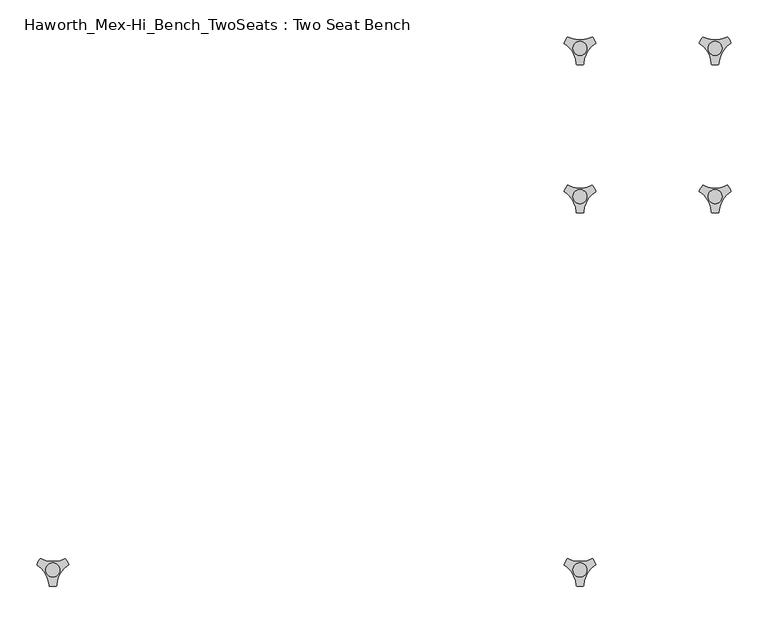
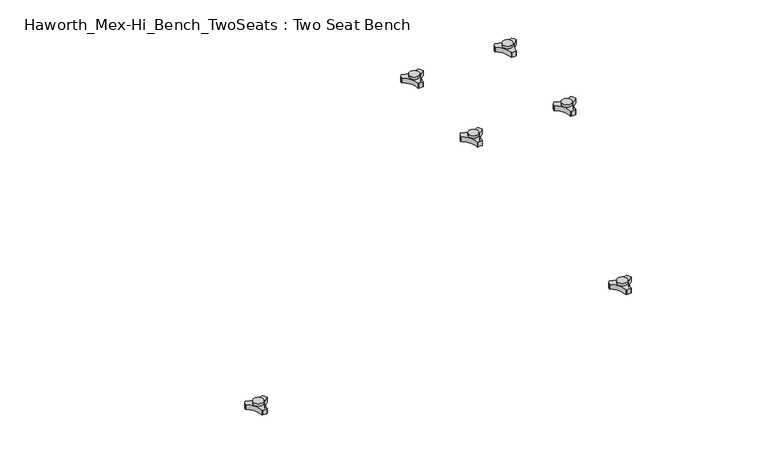
"""IFC4 building model written with IfcOpenShell, lengths in millimetres: furniture geometry, Haworth_Mex-Hi_Bench_TwoSeats : Two Seat Bench."""

from ifc_helpers import new_model, si_unit, frame, origin, place, context, project, spatial, polyline, circle_curve, source, transform, mapped, element, save
from ifc_brep_helpers import plane_surface, cylinder_surface, revolved_surface, advanced_brep


def haworth_mex_hi_bench_twoseats_two_seat_bench_e05f9d58(model_context):
    return source(origin(), model_context, "Body", "AdvancedBrep", [
        advanced_brep(
        [(373.838792, -130.2721038, 98.611642), (369.6162038, -137.585841, 98.611642), (370.0141527, -138.7518724, 98.611642), (385.8334234, -166.1516574, 98.611642), (386.6442569, -167.0792988, 98.611642), (395.0894355, -167.0792988, 98.611642), (395.8939637, -165.9895174, 98.611642), (411.9962168, -138.4877144, 98.611642), (412.1174938, -137.5858427, 98.611642), (407.8949039, -130.2721023, 98.611642), (406.6861204, -130.0337175, 98.611642), (375.047572, -130.0337175, 98.611642), (400.2397227, -145.1926245, 98.611642), (381.3347108, -145.1926245, 98.611642), (373.838792, -130.2721038, 88.6531552), (375.047572, -130.0337175, 88.6531552), (406.6861204, -130.0337175, 88.6531552), (407.8949039, -130.2721023, 88.6531552), (412.1174938, -137.5858427, 88.6531552), (411.9962168, -138.4877144, 88.6531552), (395.8939637, -165.9895174, 88.6531552), (395.0894355, -167.0792988, 88.6531552), (386.6442569, -167.0792988, 88.6531552), (385.8334234, -166.1516574, 88.6531552), (370.0141527, -138.7518724, 88.6531552), (369.6162038, -137.585841, 88.6531552), (381.3347108, -145.1926245, 103.6569541), (400.2397227, -145.1926245, 103.6569541)],
        [
            (0, 1, circle_curve(frame((392.09828, -145.690049, 98.611642), z_axis=(0.0, 0.0, 1.0), x_axis=(1.0, 0.0, 0.0)), 23.8981576)),
            (1, 2, circle_curve(frame((370.5437624, -137.920202, 98.611642), z_axis=(0.0, 0.0, 1.0), x_axis=(1.0, 0.0, 0.0)), 0.9859828)),
            (2, 3, circle_curve(frame((351.6187827, -167.6389644, 98.611642), z_axis=(0.0, 0.0, -1.0), x_axis=(1.0, 0.0, 0.0)), 34.246952)),
            (3, 4, circle_curve(frame((386.8184668, -166.1088376, 98.611642), z_axis=(0.0, 0.0, 1.0), x_axis=(1.0, 0.0, 0.0)), 0.9859736)),
            (4, 5, circle_curve(frame((390.8668462, -143.5567534, 98.611642), z_axis=(0.0, 0.0, 1.0), x_axis=(1.0, 0.0, 0.0)), 23.8985439)),
            (5, 6, circle_curve(frame((394.9152236, -166.1088262, 98.611642), z_axis=(0.0, 0.0, 1.0), x_axis=(1.0, 0.0, 0.0)), 0.9859852)),
            (6, 7, circle_curve(frame((430.1156373, -167.5614211, 98.611642), z_axis=(0.0, 0.0, -1.0), x_axis=(1.0, 0.0, 0.0)), 34.2577557)),
            (7, 8, circle_curve(frame((411.1899324, -137.9202011, 98.611642), z_axis=(0.0, 0.0, 1.0), x_axis=(1.0, 0.0, 0.0)), 0.9859847)),
            (8, 9, circle_curve(frame((389.6358034, -145.6898258, 98.611642), z_axis=(0.0, 0.0, 1.0), x_axis=(1.0, 0.0, 0.0)), 23.8977184)),
            (9, 10, circle_curve(frame((407.1415576, -130.9082171, 98.611642), z_axis=(0.0, 0.0, 1.0), x_axis=(1.0, 0.0, 0.0)), 0.9859881)),
            (10, 11, circle_curve(frame((390.8668462, -99.6586209, 98.611642), z_axis=(0.0, 0.0, -1.0), x_axis=(1.0, 0.0, 0.0)), 34.2475683)),
            (11, 0, circle_curve(frame((374.5921369, -130.9082131, 98.611642), z_axis=(0.0, 0.0, 1.0), x_axis=(1.0, 0.0, 0.0)), 0.9859835)),
            (12, 13, circle_curve(frame((390.7872168, -145.1926245, 98.611642), z_axis=(0.0, 0.0, -1.0), x_axis=(1.0, 0.0, 0.0)), 9.452506)),
            (13, 12, circle_curve(frame((390.7872168, -145.1926245, 98.611642), z_axis=(0.0, 0.0, -1.0), x_axis=(1.0, 0.0, 0.0)), 9.452506)),
            (14, 15, circle_curve(frame((374.5921369, -130.9082131, 88.6531552), z_axis=(0.0, 0.0, -1.0), x_axis=(1.0, 0.0, 0.0)), 0.9859835)),
            (15, 16, circle_curve(frame((390.8668462, -99.6586209, 88.6531552), z_axis=(0.0, 0.0, 1.0), x_axis=(1.0, 0.0, 0.0)), 34.2475683)),
            (16, 17, circle_curve(frame((407.1415576, -130.9082171, 88.6531552), z_axis=(0.0, 0.0, -1.0), x_axis=(1.0, 0.0, 0.0)), 0.9859881)),
            (17, 18, circle_curve(frame((389.6358034, -145.6898258, 88.6531552), z_axis=(0.0, 0.0, -1.0), x_axis=(1.0, 0.0, 0.0)), 23.8977184)),
            (18, 19, circle_curve(frame((411.1899324, -137.9202011, 88.6531552), z_axis=(0.0, 0.0, -1.0), x_axis=(1.0, 0.0, 0.0)), 0.9859847)),
            (19, 20, circle_curve(frame((430.1156373, -167.5614211, 88.6531552), z_axis=(0.0, 0.0, 1.0), x_axis=(1.0, 0.0, 0.0)), 34.2577557)),
            (20, 21, circle_curve(frame((394.9152236, -166.1088262, 88.6531552), z_axis=(0.0, 0.0, -1.0), x_axis=(1.0, 0.0, 0.0)), 0.9859852)),
            (21, 22, circle_curve(frame((390.8668462, -143.5567534, 88.6531552), z_axis=(0.0, 0.0, -1.0), x_axis=(1.0, 0.0, 0.0)), 23.8985439)),
            (22, 23, circle_curve(frame((386.8184668, -166.1088376, 88.6531552), z_axis=(0.0, 0.0, -1.0), x_axis=(1.0, 0.0, 0.0)), 0.9859736)),
            (23, 24, circle_curve(frame((351.6187827, -167.6389644, 88.6531552), z_axis=(0.0, 0.0, 1.0), x_axis=(1.0, 0.0, 0.0)), 34.246952)),
            (24, 25, circle_curve(frame((370.5437624, -137.920202, 88.6531552), z_axis=(0.0, 0.0, -1.0), x_axis=(1.0, 0.0, 0.0)), 0.9859828)),
            (25, 14, circle_curve(frame((392.09828, -145.690049, 88.6531552), z_axis=(0.0, 0.0, -1.0), x_axis=(1.0, 0.0, 0.0)), 23.8981576)),
            (26, 27, circle_curve(frame((390.7872168, -145.1926245, 103.6569541), z_axis=(0.0, 0.0, 1.0), x_axis=(1.0, 0.0, 0.0)), 9.452506)),
            (27, 26, circle_curve(frame((390.7872168, -145.1926245, 103.6569541), z_axis=(0.0, 0.0, 1.0), x_axis=(1.0, 0.0, 0.0)), 9.452506)),
            (0, 14),
            (25, 1),
            (24, 2),
            (23, 3),
            (22, 4),
            (21, 5),
            (20, 6),
            (19, 7),
            (18, 8),
            (17, 9),
            (16, 10),
            (15, 11),
            (26, 13),
            (12, 27),
        ],
        [
            plane_surface(frame((415.9964377, -145.690049, 98.611642), z_axis=(0.0, 0.0, 1.0), x_axis=(0.0, 1.0, 0.0))),
            plane_surface(frame((415.9964377, -145.690049, 88.6531552), z_axis=(0.0, 0.0, -1.0), x_axis=(0.0, -1.0, 0.0))),
            plane_surface(frame((400.2397227, -145.1926245, 103.6569541), z_axis=(0.0, 0.0, 1.0), x_axis=(0.0, 1.0, 0.0))),
            cylinder_surface(frame((392.09828, -145.690049, 88.6531552), z_axis=(0.0, 0.0, 1.0), x_axis=(1.0, 0.0, 0.0)), 23.8981576),
            cylinder_surface(frame((370.5437624, -137.920202, 88.6531552), z_axis=(0.0, 0.0, 1.0), x_axis=(1.0, 0.0, 0.0)), 0.9859828),
            revolved_surface(polyline([(385.8657347, -167.6389644, 88.6531552), (385.8657347, -167.6389644, 98.611642)]), (351.6187827, -167.6389644, 88.6531552), (0.0, 0.0, -1.0)),
            cylinder_surface(frame((386.8184668, -166.1088376, 88.6531552), z_axis=(0.0, 0.0, 1.0), x_axis=(1.0, 0.0, 0.0)), 0.9859736),
            cylinder_surface(frame((390.8668462, -143.5567534, 88.6531552), z_axis=(0.0, 0.0, 1.0), x_axis=(1.0, 0.0, 0.0)), 23.8985439),
            cylinder_surface(frame((394.9152236, -166.1088262, 88.6531552), z_axis=(0.0, 0.0, 1.0), x_axis=(1.0, 0.0, 0.0)), 0.9859852),
            revolved_surface(polyline([(464.373393, -167.5614211, 88.6531552), (464.373393, -167.5614211, 98.611642)]), (430.1156373, -167.5614211, 88.6531552), (0.0, 0.0, -1.0)),
            cylinder_surface(frame((411.1899324, -137.9202011, 88.6531552), z_axis=(0.0, 0.0, 1.0), x_axis=(1.0, 0.0, 0.0)), 0.9859847),
            cylinder_surface(frame((389.6358034, -145.6898258, 88.6531552), z_axis=(0.0, 0.0, 1.0), x_axis=(1.0, 0.0, 0.0)), 23.8977184),
            cylinder_surface(frame((407.1415576, -130.9082171, 88.6531552), z_axis=(0.0, 0.0, 1.0), x_axis=(1.0, 0.0, 0.0)), 0.9859881),
            revolved_surface(polyline([(425.1144145, -99.6586209, 88.6531552), (425.1144145, -99.6586209, 98.611642)]), (390.8668462, -99.6586209, 88.6531552), (0.0, 0.0, -1.0)),
            cylinder_surface(frame((374.5921369, -130.9082131, 88.6531552), z_axis=(0.0, 0.0, 1.0), x_axis=(1.0, 0.0, 0.0)), 0.9859835),
            cylinder_surface(frame((390.7872168, -145.1926245, 98.611642), z_axis=(0.0, 0.0, 1.0), x_axis=(1.0, 0.0, 0.0)), 9.452506),
        ],
        [
            (0, [[1, 2, 3, 4, 5, 6, 7, 8, 9, 10, 11, 12], [13, 14]]),
            (1, [[15, 16, 17, 18, 19, 20, 21, 22, 23, 24, 25, 26]]),
            (2, [[27, 28]]),
            (3, [[-1, 29, -26, 30]]),
            (4, [[-2, -30, -25, 31]]),
            (5, [[-3, -31, -24, 32]]),
            (6, [[-4, -32, -23, 33]]),
            (7, [[-5, -33, -22, 34]]),
            (8, [[-6, -34, -21, 35]]),
            (9, [[-7, -35, -20, 36]]),
            (10, [[-8, -36, -19, 37]]),
            (11, [[-9, -37, -18, 38]]),
            (12, [[-10, -38, -17, 39]]),
            (13, [[-11, -39, -16, 40]]),
            (14, [[-12, -40, -15, -29]]),
            (15, [[-27, 41, -13, 42]]),
            (15, [[-28, -42, -14, -41]]),
        ],
    ),
        advanced_brep(
        [(373.838792, 69.7278978, 98.611642), (369.6162038, 62.4141605, 98.611642), (370.0141527, 61.2481292, 98.611642), (385.8334234, 33.8483441, 98.611642), (386.6442569, 32.9207027, 98.611642), (395.0894355, 32.9207027, 98.611642), (395.8939637, 34.0104841, 98.611642), (411.9962168, 61.5122871, 98.611642), (412.1174938, 62.4141588, 98.611642), (407.8949039, 69.7278992, 98.611642), (406.6861204, 69.966284, 98.611642), (375.047572, 69.966284, 98.611642), (400.2397227, 54.807377, 98.611642), (381.3347108, 54.807377, 98.611642), (373.838792, 69.7278978, 88.6531552), (375.047572, 69.966284, 88.6531552), (406.6861204, 69.966284, 88.6531552), (407.8949039, 69.7278992, 88.6531552), (412.1174938, 62.4141588, 88.6531552), (411.9962168, 61.5122871, 88.6531552), (395.8939637, 34.0104841, 88.6531552), (395.0894355, 32.9207027, 88.6531552), (386.6442569, 32.9207027, 88.6531552), (385.8334234, 33.8483441, 88.6531552), (370.0141527, 61.2481292, 88.6531552), (369.6162038, 62.4141605, 88.6531552), (381.3347108, 54.807377, 103.6569541), (400.2397227, 54.807377, 103.6569541)],
        [
            (0, 1, circle_curve(frame((392.09828, 54.3099526, 98.611642), z_axis=(0.0, 0.0, 1.0), x_axis=(1.0, 0.0, 0.0)), 23.8981576)),
            (1, 2, circle_curve(frame((370.5437624, 62.0797996, 98.611642), z_axis=(0.0, 0.0, 1.0), x_axis=(1.0, 0.0, 0.0)), 0.9859828)),
            (2, 3, circle_curve(frame((351.6187827, 32.3610372, 98.611642), z_axis=(0.0, 0.0, -1.0), x_axis=(1.0, 0.0, 0.0)), 34.246952)),
            (3, 4, circle_curve(frame((386.8184668, 33.8911639, 98.611642), z_axis=(0.0, 0.0, 1.0), x_axis=(1.0, 0.0, 0.0)), 0.9859736)),
            (4, 5, circle_curve(frame((390.8668462, 56.4432481, 98.611642), z_axis=(0.0, 0.0, 1.0), x_axis=(1.0, 0.0, 0.0)), 23.8985439)),
            (5, 6, circle_curve(frame((394.9152236, 33.8911753, 98.611642), z_axis=(0.0, 0.0, 1.0), x_axis=(1.0, 0.0, 0.0)), 0.9859852)),
            (6, 7, circle_curve(frame((430.1156373, 32.4385804, 98.611642), z_axis=(0.0, 0.0, -1.0), x_axis=(1.0, 0.0, 0.0)), 34.2577557)),
            (7, 8, circle_curve(frame((411.1899324, 62.0798004, 98.611642), z_axis=(0.0, 0.0, 1.0), x_axis=(1.0, 0.0, 0.0)), 0.9859847)),
            (8, 9, circle_curve(frame((389.6358034, 54.3101757, 98.611642), z_axis=(0.0, 0.0, 1.0), x_axis=(1.0, 0.0, 0.0)), 23.8977184)),
            (9, 10, circle_curve(frame((407.1415576, 69.0917844, 98.611642), z_axis=(0.0, 0.0, 1.0), x_axis=(1.0, 0.0, 0.0)), 0.9859881)),
            (10, 11, circle_curve(frame((390.8668462, 100.3413806, 98.611642), z_axis=(0.0, 0.0, -1.0), x_axis=(1.0, 0.0, 0.0)), 34.2475683)),
            (11, 0, circle_curve(frame((374.5921369, 69.0917885, 98.611642), z_axis=(0.0, 0.0, 1.0), x_axis=(1.0, 0.0, 0.0)), 0.9859835)),
            (12, 13, circle_curve(frame((390.7872168, 54.807377, 98.611642), z_axis=(0.0, 0.0, -1.0), x_axis=(1.0, 0.0, 0.0)), 9.452506)),
            (13, 12, circle_curve(frame((390.7872168, 54.807377, 98.611642), z_axis=(0.0, 0.0, -1.0), x_axis=(1.0, 0.0, 0.0)), 9.452506)),
            (14, 15, circle_curve(frame((374.5921369, 69.0917885, 88.6531552), z_axis=(0.0, 0.0, -1.0), x_axis=(1.0, 0.0, 0.0)), 0.9859835)),
            (15, 16, circle_curve(frame((390.8668462, 100.3413806, 88.6531552), z_axis=(0.0, 0.0, 1.0), x_axis=(1.0, 0.0, 0.0)), 34.2475683)),
            (16, 17, circle_curve(frame((407.1415576, 69.0917844, 88.6531552), z_axis=(0.0, 0.0, -1.0), x_axis=(1.0, 0.0, 0.0)), 0.9859881)),
            (17, 18, circle_curve(frame((389.6358034, 54.3101757, 88.6531552), z_axis=(0.0, 0.0, -1.0), x_axis=(1.0, 0.0, 0.0)), 23.8977184)),
            (18, 19, circle_curve(frame((411.1899324, 62.0798004, 88.6531552), z_axis=(0.0, 0.0, -1.0), x_axis=(1.0, 0.0, 0.0)), 0.9859847)),
            (19, 20, circle_curve(frame((430.1156373, 32.4385804, 88.6531552), z_axis=(0.0, 0.0, 1.0), x_axis=(1.0, 0.0, 0.0)), 34.2577557)),
            (20, 21, circle_curve(frame((394.9152236, 33.8911753, 88.6531552), z_axis=(0.0, 0.0, -1.0), x_axis=(1.0, 0.0, 0.0)), 0.9859852)),
            (21, 22, circle_curve(frame((390.8668462, 56.4432481, 88.6531552), z_axis=(0.0, 0.0, -1.0), x_axis=(1.0, 0.0, 0.0)), 23.8985439)),
            (22, 23, circle_curve(frame((386.8184668, 33.8911639, 88.6531552), z_axis=(0.0, 0.0, -1.0), x_axis=(1.0, 0.0, 0.0)), 0.9859736)),
            (23, 24, circle_curve(frame((351.6187827, 32.3610372, 88.6531552), z_axis=(0.0, 0.0, 1.0), x_axis=(1.0, 0.0, 0.0)), 34.246952)),
            (24, 25, circle_curve(frame((370.5437624, 62.0797996, 88.6531552), z_axis=(0.0, 0.0, -1.0), x_axis=(1.0, 0.0, 0.0)), 0.9859828)),
            (25, 14, circle_curve(frame((392.09828, 54.3099526, 88.6531552), z_axis=(0.0, 0.0, -1.0), x_axis=(1.0, 0.0, 0.0)), 23.8981576)),
            (26, 27, circle_curve(frame((390.7872168, 54.807377, 103.6569541), z_axis=(0.0, 0.0, 1.0), x_axis=(1.0, 0.0, 0.0)), 9.452506)),
            (27, 26, circle_curve(frame((390.7872168, 54.807377, 103.6569541), z_axis=(0.0, 0.0, 1.0), x_axis=(1.0, 0.0, 0.0)), 9.452506)),
            (0, 14),
            (25, 1),
            (24, 2),
            (23, 3),
            (22, 4),
            (21, 5),
            (20, 6),
            (19, 7),
            (18, 8),
            (17, 9),
            (16, 10),
            (15, 11),
            (26, 13),
            (12, 27),
        ],
        [
            plane_surface(frame((415.9964377, 54.3099526, 98.611642), z_axis=(0.0, 0.0, 1.0), x_axis=(0.0, 1.0, 0.0))),
            plane_surface(frame((415.9964377, 54.3099526, 88.6531552), z_axis=(0.0, 0.0, -1.0), x_axis=(0.0, -1.0, 0.0))),
            plane_surface(frame((400.2397227, 54.807377, 103.6569541), z_axis=(0.0, 0.0, 1.0), x_axis=(0.0, 1.0, 0.0))),
            cylinder_surface(frame((392.09828, 54.3099526, 88.6531552), z_axis=(0.0, 0.0, 1.0), x_axis=(1.0, 0.0, 0.0)), 23.8981576),
            cylinder_surface(frame((370.5437624, 62.0797996, 88.6531552), z_axis=(0.0, 0.0, 1.0), x_axis=(1.0, 0.0, 0.0)), 0.9859828),
            revolved_surface(polyline([(385.8657347, 32.3610372, 88.6531552), (385.8657347, 32.3610372, 98.611642)]), (351.6187827, 32.3610372, 88.6531552), (0.0, 0.0, -1.0)),
            cylinder_surface(frame((386.8184668, 33.8911639, 88.6531552), z_axis=(0.0, 0.0, 1.0), x_axis=(1.0, 0.0, 0.0)), 0.9859736),
            cylinder_surface(frame((390.8668462, 56.4432481, 88.6531552), z_axis=(0.0, 0.0, 1.0), x_axis=(1.0, 0.0, 0.0)), 23.8985439),
            cylinder_surface(frame((394.9152236, 33.8911753, 88.6531552), z_axis=(0.0, 0.0, 1.0), x_axis=(1.0, 0.0, 0.0)), 0.9859852),
            revolved_surface(polyline([(464.373393, 32.4385804, 88.6531552), (464.373393, 32.4385804, 98.611642)]), (430.1156373, 32.4385804, 88.6531552), (0.0, 0.0, -1.0)),
            cylinder_surface(frame((411.1899324, 62.0798004, 88.6531552), z_axis=(0.0, 0.0, 1.0), x_axis=(1.0, 0.0, 0.0)), 0.9859847),
            cylinder_surface(frame((389.6358034, 54.3101757, 88.6531552), z_axis=(0.0, 0.0, 1.0), x_axis=(1.0, 0.0, 0.0)), 23.8977184),
            cylinder_surface(frame((407.1415576, 69.0917844, 88.6531552), z_axis=(0.0, 0.0, 1.0), x_axis=(1.0, 0.0, 0.0)), 0.9859881),
            revolved_surface(polyline([(425.1144145, 100.3413806, 88.6531552), (425.1144145, 100.3413806, 98.611642)]), (390.8668462, 100.3413806, 88.6531552), (0.0, 0.0, -1.0)),
            cylinder_surface(frame((374.5921369, 69.0917885, 88.6531552), z_axis=(0.0, 0.0, 1.0), x_axis=(1.0, 0.0, 0.0)), 0.9859835),
            cylinder_surface(frame((390.7872168, 54.807377, 98.611642), z_axis=(0.0, 0.0, 1.0), x_axis=(1.0, 0.0, 0.0)), 9.452506),
        ],
        [
            (0, [[1, 2, 3, 4, 5, 6, 7, 8, 9, 10, 11, 12], [13, 14]]),
            (1, [[15, 16, 17, 18, 19, 20, 21, 22, 23, 24, 25, 26]]),
            (2, [[27, 28]]),
            (3, [[-1, 29, -26, 30]]),
            (4, [[-2, -30, -25, 31]]),
            (5, [[-3, -31, -24, 32]]),
            (6, [[-4, -32, -23, 33]]),
            (7, [[-5, -33, -22, 34]]),
            (8, [[-6, -34, -21, 35]]),
            (9, [[-7, -35, -20, 36]]),
            (10, [[-8, -36, -19, 37]]),
            (11, [[-9, -37, -18, 38]]),
            (12, [[-10, -38, -17, 39]]),
            (13, [[-11, -39, -16, 40]]),
            (14, [[-12, -40, -15, -29]]),
            (15, [[-27, 41, -13, 42]]),
            (15, [[-28, -42, -14, -41]]),
        ],
    ),
        advanced_brep(
        [(191.4388063, 69.7278978, 98.611642), (187.2162181, 62.4141605, 98.611642), (187.614167, 61.2481292, 98.611642), (203.4334377, 33.8483441, 98.611642), (204.2442712, 32.9207027, 98.611642), (212.6894498, 32.9207027, 98.611642), (213.493978, 34.0104841, 98.611642), (229.5962311, 61.5122871, 98.611642), (229.7175081, 62.4141588, 98.611642), (225.4949182, 69.7278992, 98.611642), (224.2861347, 69.966284, 98.611642), (192.6475863, 69.966284, 98.611642), (217.839737, 54.807377, 98.611642), (198.9347251, 54.807377, 98.611642), (191.4388063, 69.7278978, 88.6531552), (192.6475863, 69.966284, 88.6531552), (224.2861347, 69.966284, 88.6531552), (225.4949182, 69.7278992, 88.6531552), (229.7175081, 62.4141588, 88.6531552), (229.5962311, 61.5122871, 88.6531552), (213.493978, 34.0104841, 88.6531552), (212.6894498, 32.9207027, 88.6531552), (204.2442712, 32.9207027, 88.6531552), (203.4334377, 33.8483441, 88.6531552), (187.614167, 61.2481292, 88.6531552), (187.2162181, 62.4141605, 88.6531552), (198.9347251, 54.807377, 103.6569541), (217.839737, 54.807377, 103.6569541)],
        [
            (0, 1, circle_curve(frame((209.6982944, 54.3099526, 98.611642), z_axis=(0.0, 0.0, 1.0), x_axis=(1.0, 0.0, 0.0)), 23.8981576)),
            (1, 2, circle_curve(frame((188.1437767, 62.0797996, 98.611642), z_axis=(0.0, 0.0, 1.0), x_axis=(1.0, 0.0, 0.0)), 0.9859828)),
            (2, 3, circle_curve(frame((169.218797, 32.3610372, 98.611642), z_axis=(0.0, 0.0, -1.0), x_axis=(1.0, 0.0, 0.0)), 34.246952)),
            (3, 4, circle_curve(frame((204.4184811, 33.8911639, 98.611642), z_axis=(0.0, 0.0, 1.0), x_axis=(1.0, 0.0, 0.0)), 0.9859736)),
            (4, 5, circle_curve(frame((208.4668605, 56.4432481, 98.611642), z_axis=(0.0, 0.0, 1.0), x_axis=(1.0, 0.0, 0.0)), 23.8985439)),
            (5, 6, circle_curve(frame((212.5152379, 33.8911753, 98.611642), z_axis=(0.0, 0.0, 1.0), x_axis=(1.0, 0.0, 0.0)), 0.9859852)),
            (6, 7, circle_curve(frame((247.7156517, 32.4385804, 98.611642), z_axis=(0.0, 0.0, -1.0), x_axis=(1.0, 0.0, 0.0)), 34.2577557)),
            (7, 8, circle_curve(frame((228.7899467, 62.0798004, 98.611642), z_axis=(0.0, 0.0, 1.0), x_axis=(1.0, 0.0, 0.0)), 0.9859847)),
            (8, 9, circle_curve(frame((207.2358178, 54.3101757, 98.611642), z_axis=(0.0, 0.0, 1.0), x_axis=(1.0, 0.0, 0.0)), 23.8977184)),
            (9, 10, circle_curve(frame((224.7415719, 69.0917844, 98.611642), z_axis=(0.0, 0.0, 1.0), x_axis=(1.0, 0.0, 0.0)), 0.9859881)),
            (10, 11, circle_curve(frame((208.4668605, 100.3413806, 98.611642), z_axis=(0.0, 0.0, -1.0), x_axis=(1.0, 0.0, 0.0)), 34.2475683)),
            (11, 0, circle_curve(frame((192.1921512, 69.0917885, 98.611642), z_axis=(0.0, 0.0, 1.0), x_axis=(1.0, 0.0, 0.0)), 0.9859835)),
            (12, 13, circle_curve(frame((208.3872311, 54.807377, 98.611642), z_axis=(0.0, 0.0, -1.0), x_axis=(1.0, 0.0, 0.0)), 9.452506)),
            (13, 12, circle_curve(frame((208.3872311, 54.807377, 98.611642), z_axis=(0.0, 0.0, -1.0), x_axis=(1.0, 0.0, 0.0)), 9.452506)),
            (14, 15, circle_curve(frame((192.1921512, 69.0917885, 88.6531552), z_axis=(0.0, 0.0, -1.0), x_axis=(1.0, 0.0, 0.0)), 0.9859835)),
            (15, 16, circle_curve(frame((208.4668605, 100.3413806, 88.6531552), z_axis=(0.0, 0.0, 1.0), x_axis=(1.0, 0.0, 0.0)), 34.2475683)),
            (16, 17, circle_curve(frame((224.7415719, 69.0917844, 88.6531552), z_axis=(0.0, 0.0, -1.0), x_axis=(1.0, 0.0, 0.0)), 0.9859881)),
            (17, 18, circle_curve(frame((207.2358178, 54.3101757, 88.6531552), z_axis=(0.0, 0.0, -1.0), x_axis=(1.0, 0.0, 0.0)), 23.8977184)),
            (18, 19, circle_curve(frame((228.7899467, 62.0798004, 88.6531552), z_axis=(0.0, 0.0, -1.0), x_axis=(1.0, 0.0, 0.0)), 0.9859847)),
            (19, 20, circle_curve(frame((247.7156517, 32.4385804, 88.6531552), z_axis=(0.0, 0.0, 1.0), x_axis=(1.0, 0.0, 0.0)), 34.2577557)),
            (20, 21, circle_curve(frame((212.5152379, 33.8911753, 88.6531552), z_axis=(0.0, 0.0, -1.0), x_axis=(1.0, 0.0, 0.0)), 0.9859852)),
            (21, 22, circle_curve(frame((208.4668605, 56.4432481, 88.6531552), z_axis=(0.0, 0.0, -1.0), x_axis=(1.0, 0.0, 0.0)), 23.8985439)),
            (22, 23, circle_curve(frame((204.4184811, 33.8911639, 88.6531552), z_axis=(0.0, 0.0, -1.0), x_axis=(1.0, 0.0, 0.0)), 0.9859736)),
            (23, 24, circle_curve(frame((169.218797, 32.3610372, 88.6531552), z_axis=(0.0, 0.0, 1.0), x_axis=(1.0, 0.0, 0.0)), 34.246952)),
            (24, 25, circle_curve(frame((188.1437767, 62.0797996, 88.6531552), z_axis=(0.0, 0.0, -1.0), x_axis=(1.0, 0.0, 0.0)), 0.9859828)),
            (25, 14, circle_curve(frame((209.6982944, 54.3099526, 88.6531552), z_axis=(0.0, 0.0, -1.0), x_axis=(1.0, 0.0, 0.0)), 23.8981576)),
            (26, 27, circle_curve(frame((208.3872311, 54.807377, 103.6569541), z_axis=(0.0, 0.0, 1.0), x_axis=(1.0, 0.0, 0.0)), 9.452506)),
            (27, 26, circle_curve(frame((208.3872311, 54.807377, 103.6569541), z_axis=(0.0, 0.0, 1.0), x_axis=(1.0, 0.0, 0.0)), 9.452506)),
            (0, 14),
            (25, 1),
            (24, 2),
            (23, 3),
            (22, 4),
            (21, 5),
            (20, 6),
            (19, 7),
            (18, 8),
            (17, 9),
            (16, 10),
            (15, 11),
            (26, 13),
            (12, 27),
        ],
        [
            plane_surface(frame((233.596452, 54.3099526, 98.611642), z_axis=(0.0, 0.0, 1.0), x_axis=(0.0, 1.0, 0.0))),
            plane_surface(frame((233.596452, 54.3099526, 88.6531552), z_axis=(0.0, 0.0, -1.0), x_axis=(0.0, -1.0, 0.0))),
            plane_surface(frame((217.839737, 54.807377, 103.6569541), z_axis=(0.0, 0.0, 1.0), x_axis=(0.0, 1.0, 0.0))),
            cylinder_surface(frame((209.6982944, 54.3099526, 88.6531552), z_axis=(0.0, 0.0, 1.0), x_axis=(1.0, 0.0, 0.0)), 23.8981576),
            cylinder_surface(frame((188.1437767, 62.0797996, 88.6531552), z_axis=(0.0, 0.0, 1.0), x_axis=(1.0, 0.0, 0.0)), 0.9859828),
            revolved_surface(polyline([(203.465749, 32.3610372, 88.6531552), (203.465749, 32.3610372, 98.611642)]), (169.218797, 32.3610372, 88.6531552), (0.0, 0.0, -1.0)),
            cylinder_surface(frame((204.4184811, 33.8911639, 88.6531552), z_axis=(0.0, 0.0, 1.0), x_axis=(1.0, 0.0, 0.0)), 0.9859736),
            cylinder_surface(frame((208.4668605, 56.4432481, 88.6531552), z_axis=(0.0, 0.0, 1.0), x_axis=(1.0, 0.0, 0.0)), 23.8985439),
            cylinder_surface(frame((212.5152379, 33.8911753, 88.6531552), z_axis=(0.0, 0.0, 1.0), x_axis=(1.0, 0.0, 0.0)), 0.9859852),
            revolved_surface(polyline([(281.9734074, 32.4385804, 88.6531552), (281.9734074, 32.4385804, 98.611642)]), (247.7156517, 32.4385804, 88.6531552), (0.0, 0.0, -1.0)),
            cylinder_surface(frame((228.7899467, 62.0798004, 88.6531552), z_axis=(0.0, 0.0, 1.0), x_axis=(1.0, 0.0, 0.0)), 0.9859847),
            cylinder_surface(frame((207.2358178, 54.3101757, 88.6531552), z_axis=(0.0, 0.0, 1.0), x_axis=(1.0, 0.0, 0.0)), 23.8977184),
            cylinder_surface(frame((224.7415719, 69.0917844, 88.6531552), z_axis=(0.0, 0.0, 1.0), x_axis=(1.0, 0.0, 0.0)), 0.9859881),
            revolved_surface(polyline([(242.7144288, 100.3413806, 88.6531552), (242.7144288, 100.3413806, 98.611642)]), (208.4668605, 100.3413806, 88.6531552), (0.0, 0.0, -1.0)),
            cylinder_surface(frame((192.1921512, 69.0917885, 88.6531552), z_axis=(0.0, 0.0, 1.0), x_axis=(1.0, 0.0, 0.0)), 0.9859835),
            cylinder_surface(frame((208.3872311, 54.807377, 98.611642), z_axis=(0.0, 0.0, 1.0), x_axis=(1.0, 0.0, 0.0)), 9.452506),
        ],
        [
            (0, [[1, 2, 3, 4, 5, 6, 7, 8, 9, 10, 11, 12], [13, 14]]),
            (1, [[15, 16, 17, 18, 19, 20, 21, 22, 23, 24, 25, 26]]),
            (2, [[27, 28]]),
            (3, [[-1, 29, -26, 30]]),
            (4, [[-2, -30, -25, 31]]),
            (5, [[-3, -31, -24, 32]]),
            (6, [[-4, -32, -23, 33]]),
            (7, [[-5, -33, -22, 34]]),
            (8, [[-6, -34, -21, 35]]),
            (9, [[-7, -35, -20, 36]]),
            (10, [[-8, -36, -19, 37]]),
            (11, [[-9, -37, -18, 38]]),
            (12, [[-10, -38, -17, 39]]),
            (13, [[-11, -39, -16, 40]]),
            (14, [[-12, -40, -15, -29]]),
            (15, [[-27, 41, -13, 42]]),
            (15, [[-28, -42, -14, -41]]),
        ],
    ),
        advanced_brep(
        [(191.4388063, -130.2721038, 98.611642), (187.2162181, -137.585841, 98.611642), (187.614167, -138.7518724, 98.611642), (203.4334377, -166.1516574, 98.611642), (204.2442712, -167.0792988, 98.611642), (212.6894498, -167.0792988, 98.611642), (213.493978, -165.9895174, 98.611642), (229.5962311, -138.4877144, 98.611642), (229.7175081, -137.5858427, 98.611642), (225.4949182, -130.2721023, 98.611642), (224.2861347, -130.0337175, 98.611642), (192.6475863, -130.0337175, 98.611642), (217.839737, -145.1926245, 98.611642), (198.9347251, -145.1926245, 98.611642), (191.4388063, -130.2721038, 88.6531552), (192.6475863, -130.0337175, 88.6531552), (224.2861347, -130.0337175, 88.6531552), (225.4949182, -130.2721023, 88.6531552), (229.7175081, -137.5858427, 88.6531552), (229.5962311, -138.4877144, 88.6531552), (213.493978, -165.9895174, 88.6531552), (212.6894498, -167.0792988, 88.6531552), (204.2442712, -167.0792988, 88.6531552), (203.4334377, -166.1516574, 88.6531552), (187.614167, -138.7518724, 88.6531552), (187.2162181, -137.585841, 88.6531552), (198.9347251, -145.1926245, 103.6569541), (217.839737, -145.1926245, 103.6569541)],
        [
            (0, 1, circle_curve(frame((209.6982944, -145.690049, 98.611642), z_axis=(0.0, 0.0, 1.0), x_axis=(1.0, 0.0, 0.0)), 23.8981576)),
            (1, 2, circle_curve(frame((188.1437767, -137.920202, 98.611642), z_axis=(0.0, 0.0, 1.0), x_axis=(1.0, 0.0, 0.0)), 0.9859828)),
            (2, 3, circle_curve(frame((169.218797, -167.6389644, 98.611642), z_axis=(0.0, 0.0, -1.0), x_axis=(1.0, 0.0, 0.0)), 34.246952)),
            (3, 4, circle_curve(frame((204.4184811, -166.1088376, 98.611642), z_axis=(0.0, 0.0, 1.0), x_axis=(1.0, 0.0, 0.0)), 0.9859736)),
            (4, 5, circle_curve(frame((208.4668605, -143.5567534, 98.611642), z_axis=(0.0, 0.0, 1.0), x_axis=(1.0, 0.0, 0.0)), 23.8985439)),
            (5, 6, circle_curve(frame((212.5152379, -166.1088262, 98.611642), z_axis=(0.0, 0.0, 1.0), x_axis=(1.0, 0.0, 0.0)), 0.9859852)),
            (6, 7, circle_curve(frame((247.7156517, -167.5614211, 98.611642), z_axis=(0.0, 0.0, -1.0), x_axis=(1.0, 0.0, 0.0)), 34.2577557)),
            (7, 8, circle_curve(frame((228.7899467, -137.9202011, 98.611642), z_axis=(0.0, 0.0, 1.0), x_axis=(1.0, 0.0, 0.0)), 0.9859847)),
            (8, 9, circle_curve(frame((207.2358178, -145.6898258, 98.611642), z_axis=(0.0, 0.0, 1.0), x_axis=(1.0, 0.0, 0.0)), 23.8977184)),
            (9, 10, circle_curve(frame((224.7415719, -130.9082171, 98.611642), z_axis=(0.0, 0.0, 1.0), x_axis=(1.0, 0.0, 0.0)), 0.9859881)),
            (10, 11, circle_curve(frame((208.4668605, -99.6586209, 98.611642), z_axis=(0.0, 0.0, -1.0), x_axis=(1.0, 0.0, 0.0)), 34.2475683)),
            (11, 0, circle_curve(frame((192.1921512, -130.9082131, 98.611642), z_axis=(0.0, 0.0, 1.0), x_axis=(1.0, 0.0, 0.0)), 0.9859835)),
            (12, 13, circle_curve(frame((208.3872311, -145.1926245, 98.611642), z_axis=(0.0, 0.0, -1.0), x_axis=(1.0, 0.0, 0.0)), 9.452506)),
            (13, 12, circle_curve(frame((208.3872311, -145.1926245, 98.611642), z_axis=(0.0, 0.0, -1.0), x_axis=(1.0, 0.0, 0.0)), 9.452506)),
            (14, 15, circle_curve(frame((192.1921512, -130.9082131, 88.6531552), z_axis=(0.0, 0.0, -1.0), x_axis=(1.0, 0.0, 0.0)), 0.9859835)),
            (15, 16, circle_curve(frame((208.4668605, -99.6586209, 88.6531552), z_axis=(0.0, 0.0, 1.0), x_axis=(1.0, 0.0, 0.0)), 34.2475683)),
            (16, 17, circle_curve(frame((224.7415719, -130.9082171, 88.6531552), z_axis=(0.0, 0.0, -1.0), x_axis=(1.0, 0.0, 0.0)), 0.9859881)),
            (17, 18, circle_curve(frame((207.2358178, -145.6898258, 88.6531552), z_axis=(0.0, 0.0, -1.0), x_axis=(1.0, 0.0, 0.0)), 23.8977184)),
            (18, 19, circle_curve(frame((228.7899467, -137.9202011, 88.6531552), z_axis=(0.0, 0.0, -1.0), x_axis=(1.0, 0.0, 0.0)), 0.9859847)),
            (19, 20, circle_curve(frame((247.7156517, -167.5614211, 88.6531552), z_axis=(0.0, 0.0, 1.0), x_axis=(1.0, 0.0, 0.0)), 34.2577557)),
            (20, 21, circle_curve(frame((212.5152379, -166.1088262, 88.6531552), z_axis=(0.0, 0.0, -1.0), x_axis=(1.0, 0.0, 0.0)), 0.9859852)),
            (21, 22, circle_curve(frame((208.4668605, -143.5567534, 88.6531552), z_axis=(0.0, 0.0, -1.0), x_axis=(1.0, 0.0, 0.0)), 23.8985439)),
            (22, 23, circle_curve(frame((204.4184811, -166.1088376, 88.6531552), z_axis=(0.0, 0.0, -1.0), x_axis=(1.0, 0.0, 0.0)), 0.9859736)),
            (23, 24, circle_curve(frame((169.218797, -167.6389644, 88.6531552), z_axis=(0.0, 0.0, 1.0), x_axis=(1.0, 0.0, 0.0)), 34.246952)),
            (24, 25, circle_curve(frame((188.1437767, -137.920202, 88.6531552), z_axis=(0.0, 0.0, -1.0), x_axis=(1.0, 0.0, 0.0)), 0.9859828)),
            (25, 14, circle_curve(frame((209.6982944, -145.690049, 88.6531552), z_axis=(0.0, 0.0, -1.0), x_axis=(1.0, 0.0, 0.0)), 23.8981576)),
            (26, 27, circle_curve(frame((208.3872311, -145.1926245, 103.6569541), z_axis=(0.0, 0.0, 1.0), x_axis=(1.0, 0.0, 0.0)), 9.452506)),
            (27, 26, circle_curve(frame((208.3872311, -145.1926245, 103.6569541), z_axis=(0.0, 0.0, 1.0), x_axis=(1.0, 0.0, 0.0)), 9.452506)),
            (0, 14),
            (25, 1),
            (24, 2),
            (23, 3),
            (22, 4),
            (21, 5),
            (20, 6),
            (19, 7),
            (18, 8),
            (17, 9),
            (16, 10),
            (15, 11),
            (26, 13),
            (12, 27),
        ],
        [
            plane_surface(frame((233.596452, -145.690049, 98.611642), z_axis=(0.0, 0.0, 1.0), x_axis=(0.0, 1.0, 0.0))),
            plane_surface(frame((233.596452, -145.690049, 88.6531552), z_axis=(0.0, 0.0, -1.0), x_axis=(0.0, -1.0, 0.0))),
            plane_surface(frame((217.839737, -145.1926245, 103.6569541), z_axis=(0.0, 0.0, 1.0), x_axis=(0.0, 1.0, 0.0))),
            cylinder_surface(frame((209.6982944, -145.690049, 88.6531552), z_axis=(0.0, 0.0, 1.0), x_axis=(1.0, 0.0, 0.0)), 23.8981576),
            cylinder_surface(frame((188.1437767, -137.920202, 88.6531552), z_axis=(0.0, 0.0, 1.0), x_axis=(1.0, 0.0, 0.0)), 0.9859828),
            revolved_surface(polyline([(203.465749, -167.6389644, 88.6531552), (203.465749, -167.6389644, 98.611642)]), (169.218797, -167.6389644, 88.6531552), (0.0, 0.0, -1.0)),
            cylinder_surface(frame((204.4184811, -166.1088376, 88.6531552), z_axis=(0.0, 0.0, 1.0), x_axis=(1.0, 0.0, 0.0)), 0.9859736),
            cylinder_surface(frame((208.4668605, -143.5567534, 88.6531552), z_axis=(0.0, 0.0, 1.0), x_axis=(1.0, 0.0, 0.0)), 23.8985439),
            cylinder_surface(frame((212.5152379, -166.1088262, 88.6531552), z_axis=(0.0, 0.0, 1.0), x_axis=(1.0, 0.0, 0.0)), 0.9859852),
            revolved_surface(polyline([(281.9734074, -167.5614211, 88.6531552), (281.9734074, -167.5614211, 98.611642)]), (247.7156517, -167.5614211, 88.6531552), (0.0, 0.0, -1.0)),
            cylinder_surface(frame((228.7899467, -137.9202011, 88.6531552), z_axis=(0.0, 0.0, 1.0), x_axis=(1.0, 0.0, 0.0)), 0.9859847),
            cylinder_surface(frame((207.2358178, -145.6898258, 88.6531552), z_axis=(0.0, 0.0, 1.0), x_axis=(1.0, 0.0, 0.0)), 23.8977184),
            cylinder_surface(frame((224.7415719, -130.9082171, 88.6531552), z_axis=(0.0, 0.0, 1.0), x_axis=(1.0, 0.0, 0.0)), 0.9859881),
            revolved_surface(polyline([(242.7144288, -99.6586209, 88.6531552), (242.7144288, -99.6586209, 98.611642)]), (208.4668605, -99.6586209, 88.6531552), (0.0, 0.0, -1.0)),
            cylinder_surface(frame((192.1921512, -130.9082131, 88.6531552), z_axis=(0.0, 0.0, 1.0), x_axis=(1.0, 0.0, 0.0)), 0.9859835),
            cylinder_surface(frame((208.3872311, -145.1926245, 98.611642), z_axis=(0.0, 0.0, 1.0), x_axis=(1.0, 0.0, 0.0)), 9.452506),
        ],
        [
            (0, [[1, 2, 3, 4, 5, 6, 7, 8, 9, 10, 11, 12], [13, 14]]),
            (1, [[15, 16, 17, 18, 19, 20, 21, 22, 23, 24, 25, 26]]),
            (2, [[27, 28]]),
            (3, [[-1, 29, -26, 30]]),
            (4, [[-2, -30, -25, 31]]),
            (5, [[-3, -31, -24, 32]]),
            (6, [[-4, -32, -23, 33]]),
            (7, [[-5, -33, -22, 34]]),
            (8, [[-6, -34, -21, 35]]),
            (9, [[-7, -35, -20, 36]]),
            (10, [[-8, -36, -19, 37]]),
            (11, [[-9, -37, -18, 38]]),
            (12, [[-10, -38, -17, 39]]),
            (13, [[-11, -39, -16, 40]]),
            (14, [[-12, -40, -15, -29]]),
            (15, [[-27, 41, -13, 42]]),
            (15, [[-28, -42, -14, -41]]),
        ],
    ),
        advanced_brep(
        [(191.4388063, -633.9963447, 98.611642), (187.2162181, -641.3100819, 98.611642), (187.614167, -642.4761133, 98.611642), (203.4334377, -669.8758983, 98.611642), (204.2442712, -670.8035397, 98.611642), (212.6894498, -670.8035397, 98.611642), (213.493978, -669.7137583, 98.611642), (229.5962311, -642.2119553, 98.611642), (229.7175081, -641.3100836, 98.611642), (225.4949182, -633.9963432, 98.611642), (224.2861347, -633.7579584, 98.611642), (192.6475863, -633.7579584, 98.611642), (217.839737, -648.9168654, 98.611642), (198.9347251, -648.9168654, 98.611642), (191.4388063, -633.9963447, 88.6531552), (192.6475863, -633.7579584, 88.6531552), (224.2861347, -633.7579584, 88.6531552), (225.4949182, -633.9963432, 88.6531552), (229.7175081, -641.3100836, 88.6531552), (229.5962311, -642.2119553, 88.6531552), (213.493978, -669.7137583, 88.6531552), (212.6894498, -670.8035397, 88.6531552), (204.2442712, -670.8035397, 88.6531552), (203.4334377, -669.8758983, 88.6531552), (187.614167, -642.4761133, 88.6531552), (187.2162181, -641.3100819, 88.6531552), (198.9347251, -648.9168654, 103.6569541), (217.839737, -648.9168654, 103.6569541)],
        [
            (0, 1, circle_curve(frame((209.6982944, -649.4142898, 98.611642), z_axis=(0.0, 0.0, 1.0), x_axis=(1.0, 0.0, 0.0)), 23.8981576)),
            (1, 2, circle_curve(frame((188.1437767, -641.6444428, 98.611642), z_axis=(0.0, 0.0, 1.0), x_axis=(1.0, 0.0, 0.0)), 0.9859828)),
            (2, 3, circle_curve(frame((169.218797, -671.3632053, 98.611642), z_axis=(0.0, 0.0, -1.0), x_axis=(1.0, 0.0, 0.0)), 34.246952)),
            (3, 4, circle_curve(frame((204.4184811, -669.8330785, 98.611642), z_axis=(0.0, 0.0, 1.0), x_axis=(1.0, 0.0, 0.0)), 0.9859736)),
            (4, 5, circle_curve(frame((208.4668605, -647.2809943, 98.611642), z_axis=(0.0, 0.0, 1.0), x_axis=(1.0, 0.0, 0.0)), 23.8985439)),
            (5, 6, circle_curve(frame((212.5152379, -669.8330671, 98.611642), z_axis=(0.0, 0.0, 1.0), x_axis=(1.0, 0.0, 0.0)), 0.9859852)),
            (6, 7, circle_curve(frame((247.7156517, -671.285662, 98.611642), z_axis=(0.0, 0.0, -1.0), x_axis=(1.0, 0.0, 0.0)), 34.2577557)),
            (7, 8, circle_curve(frame((228.7899467, -641.644442, 98.611642), z_axis=(0.0, 0.0, 1.0), x_axis=(1.0, 0.0, 0.0)), 0.9859847)),
            (8, 9, circle_curve(frame((207.2358178, -649.4140667, 98.611642), z_axis=(0.0, 0.0, 1.0), x_axis=(1.0, 0.0, 0.0)), 23.8977184)),
            (9, 10, circle_curve(frame((224.7415719, -634.632458, 98.611642), z_axis=(0.0, 0.0, 1.0), x_axis=(1.0, 0.0, 0.0)), 0.9859881)),
            (10, 11, circle_curve(frame((208.4668605, -603.3828618, 98.611642), z_axis=(0.0, 0.0, -1.0), x_axis=(1.0, 0.0, 0.0)), 34.2475683)),
            (11, 0, circle_curve(frame((192.1921512, -634.632454, 98.611642), z_axis=(0.0, 0.0, 1.0), x_axis=(1.0, 0.0, 0.0)), 0.9859835)),
            (12, 13, circle_curve(frame((208.3872311, -648.9168654, 98.611642), z_axis=(0.0, 0.0, -1.0), x_axis=(1.0, 0.0, 0.0)), 9.452506)),
            (13, 12, circle_curve(frame((208.3872311, -648.9168654, 98.611642), z_axis=(0.0, 0.0, -1.0), x_axis=(1.0, 0.0, 0.0)), 9.452506)),
            (14, 15, circle_curve(frame((192.1921512, -634.632454, 88.6531552), z_axis=(0.0, 0.0, -1.0), x_axis=(1.0, 0.0, 0.0)), 0.9859835)),
            (15, 16, circle_curve(frame((208.4668605, -603.3828618, 88.6531552), z_axis=(0.0, 0.0, 1.0), x_axis=(1.0, 0.0, 0.0)), 34.2475683)),
            (16, 17, circle_curve(frame((224.7415719, -634.632458, 88.6531552), z_axis=(0.0, 0.0, -1.0), x_axis=(1.0, 0.0, 0.0)), 0.9859881)),
            (17, 18, circle_curve(frame((207.2358178, -649.4140667, 88.6531552), z_axis=(0.0, 0.0, -1.0), x_axis=(1.0, 0.0, 0.0)), 23.8977184)),
            (18, 19, circle_curve(frame((228.7899467, -641.644442, 88.6531552), z_axis=(0.0, 0.0, -1.0), x_axis=(1.0, 0.0, 0.0)), 0.9859847)),
            (19, 20, circle_curve(frame((247.7156517, -671.285662, 88.6531552), z_axis=(0.0, 0.0, 1.0), x_axis=(1.0, 0.0, 0.0)), 34.2577557)),
            (20, 21, circle_curve(frame((212.5152379, -669.8330671, 88.6531552), z_axis=(0.0, 0.0, -1.0), x_axis=(1.0, 0.0, 0.0)), 0.9859852)),
            (21, 22, circle_curve(frame((208.4668605, -647.2809943, 88.6531552), z_axis=(0.0, 0.0, -1.0), x_axis=(1.0, 0.0, 0.0)), 23.8985439)),
            (22, 23, circle_curve(frame((204.4184811, -669.8330785, 88.6531552), z_axis=(0.0, 0.0, -1.0), x_axis=(1.0, 0.0, 0.0)), 0.9859736)),
            (23, 24, circle_curve(frame((169.218797, -671.3632053, 88.6531552), z_axis=(0.0, 0.0, 1.0), x_axis=(1.0, 0.0, 0.0)), 34.246952)),
            (24, 25, circle_curve(frame((188.1437767, -641.6444428, 88.6531552), z_axis=(0.0, 0.0, -1.0), x_axis=(1.0, 0.0, 0.0)), 0.9859828)),
            (25, 14, circle_curve(frame((209.6982944, -649.4142898, 88.6531552), z_axis=(0.0, 0.0, -1.0), x_axis=(1.0, 0.0, 0.0)), 23.8981576)),
            (26, 27, circle_curve(frame((208.3872311, -648.9168654, 103.6569541), z_axis=(0.0, 0.0, 1.0), x_axis=(1.0, 0.0, 0.0)), 9.452506)),
            (27, 26, circle_curve(frame((208.3872311, -648.9168654, 103.6569541), z_axis=(0.0, 0.0, 1.0), x_axis=(1.0, 0.0, 0.0)), 9.452506)),
            (0, 14),
            (25, 1),
            (24, 2),
            (23, 3),
            (22, 4),
            (21, 5),
            (20, 6),
            (19, 7),
            (18, 8),
            (17, 9),
            (16, 10),
            (15, 11),
            (26, 13),
            (12, 27),
        ],
        [
            plane_surface(frame((233.596452, -649.4142898, 98.611642), z_axis=(0.0, 0.0, 1.0), x_axis=(0.0, 1.0, 0.0))),
            plane_surface(frame((233.596452, -649.4142898, 88.6531552), z_axis=(0.0, 0.0, -1.0), x_axis=(0.0, -1.0, 0.0))),
            plane_surface(frame((217.839737, -648.9168654, 103.6569541), z_axis=(0.0, 0.0, 1.0), x_axis=(0.0, 1.0, 0.0))),
            cylinder_surface(frame((209.6982944, -649.4142898, 88.6531552), z_axis=(0.0, 0.0, 1.0), x_axis=(1.0, 0.0, 0.0)), 23.8981576),
            cylinder_surface(frame((188.1437767, -641.6444428, 88.6531552), z_axis=(0.0, 0.0, 1.0), x_axis=(1.0, 0.0, 0.0)), 0.9859828),
            revolved_surface(polyline([(203.465749, -671.3632053, 88.6531552), (203.465749, -671.3632053, 98.611642)]), (169.218797, -671.3632053, 88.6531552), (0.0, 0.0, -1.0)),
            cylinder_surface(frame((204.4184811, -669.8330785, 88.6531552), z_axis=(0.0, 0.0, 1.0), x_axis=(1.0, 0.0, 0.0)), 0.9859736),
            cylinder_surface(frame((208.4668605, -647.2809943, 88.6531552), z_axis=(0.0, 0.0, 1.0), x_axis=(1.0, 0.0, 0.0)), 23.8985439),
            cylinder_surface(frame((212.5152379, -669.8330671, 88.6531552), z_axis=(0.0, 0.0, 1.0), x_axis=(1.0, 0.0, 0.0)), 0.9859852),
            revolved_surface(polyline([(281.9734074, -671.285662, 88.6531552), (281.9734074, -671.285662, 98.611642)]), (247.7156517, -671.285662, 88.6531552), (0.0, 0.0, -1.0)),
            cylinder_surface(frame((228.7899467, -641.644442, 88.6531552), z_axis=(0.0, 0.0, 1.0), x_axis=(1.0, 0.0, 0.0)), 0.9859847),
            cylinder_surface(frame((207.2358178, -649.4140667, 88.6531552), z_axis=(0.0, 0.0, 1.0), x_axis=(1.0, 0.0, 0.0)), 23.8977184),
            cylinder_surface(frame((224.7415719, -634.632458, 88.6531552), z_axis=(0.0, 0.0, 1.0), x_axis=(1.0, 0.0, 0.0)), 0.9859881),
            revolved_surface(polyline([(242.7144288, -603.3828618, 88.6531552), (242.7144288, -603.3828618, 98.611642)]), (208.4668605, -603.3828618, 88.6531552), (0.0, 0.0, -1.0)),
            cylinder_surface(frame((192.1921512, -634.632454, 88.6531552), z_axis=(0.0, 0.0, 1.0), x_axis=(1.0, 0.0, 0.0)), 0.9859835),
            cylinder_surface(frame((208.3872311, -648.9168654, 98.611642), z_axis=(0.0, 0.0, 1.0), x_axis=(1.0, 0.0, 0.0)), 9.452506),
        ],
        [
            (0, [[1, 2, 3, 4, 5, 6, 7, 8, 9, 10, 11, 12], [13, 14]]),
            (1, [[15, 16, 17, 18, 19, 20, 21, 22, 23, 24, 25, 26]]),
            (2, [[27, 28]]),
            (3, [[-1, 29, -26, 30]]),
            (4, [[-2, -30, -25, 31]]),
            (5, [[-3, -31, -24, 32]]),
            (6, [[-4, -32, -23, 33]]),
            (7, [[-5, -33, -22, 34]]),
            (8, [[-6, -34, -21, 35]]),
            (9, [[-7, -35, -20, 36]]),
            (10, [[-8, -36, -19, 37]]),
            (11, [[-9, -37, -18, 38]]),
            (12, [[-10, -38, -17, 39]]),
            (13, [[-11, -39, -16, 40]]),
            (14, [[-12, -40, -15, -29]]),
            (15, [[-27, 41, -13, 42]]),
            (15, [[-28, -42, -14, -41]]),
        ],
    ),
        advanced_brep(
        [(-519.7611937, -633.9963447, 98.611642), (-523.9837819, -641.3100819, 98.611642), (-523.585833, -642.4761133, 98.611642), (-507.7665623, -669.8758983, 98.611642), (-506.9557288, -670.8035397, 98.611642), (-498.5105502, -670.8035397, 98.611642), (-497.706022, -669.7137583, 98.611642), (-481.6037689, -642.2119553, 98.611642), (-481.4824919, -641.3100836, 98.611642), (-485.7050818, -633.9963432, 98.611642), (-486.9138653, -633.7579584, 98.611642), (-518.5524137, -633.7579584, 98.611642), (-493.360263, -648.9168654, 98.611642), (-512.2652749, -648.9168654, 98.611642), (-519.7611937, -633.9963447, 88.6531552), (-518.5524137, -633.7579584, 88.6531552), (-486.9138653, -633.7579584, 88.6531552), (-485.7050818, -633.9963432, 88.6531552), (-481.4824919, -641.3100836, 88.6531552), (-481.6037689, -642.2119553, 88.6531552), (-497.706022, -669.7137583, 88.6531552), (-498.5105502, -670.8035397, 88.6531552), (-506.9557288, -670.8035397, 88.6531552), (-507.7665623, -669.8758983, 88.6531552), (-523.585833, -642.4761133, 88.6531552), (-523.9837819, -641.3100819, 88.6531552), (-512.2652749, -648.9168654, 103.6569541), (-493.360263, -648.9168654, 103.6569541)],
        [
            (0, 1, circle_curve(frame((-501.5017056, -649.4142898, 98.611642), z_axis=(0.0, 0.0, 1.0), x_axis=(1.0, 0.0, 0.0)), 23.8981576)),
            (1, 2, circle_curve(frame((-523.0562233, -641.6444428, 98.611642), z_axis=(0.0, 0.0, 1.0), x_axis=(1.0, 0.0, 0.0)), 0.9859828)),
            (2, 3, circle_curve(frame((-541.981203, -671.3632053, 98.611642), z_axis=(0.0, 0.0, -1.0), x_axis=(1.0, 0.0, 0.0)), 34.246952)),
            (3, 4, circle_curve(frame((-506.7815189, -669.8330785, 98.611642), z_axis=(0.0, 0.0, 1.0), x_axis=(1.0, 0.0, 0.0)), 0.9859736)),
            (4, 5, circle_curve(frame((-502.7331395, -647.2809943, 98.611642), z_axis=(0.0, 0.0, 1.0), x_axis=(1.0, 0.0, 0.0)), 23.8985439)),
            (5, 6, circle_curve(frame((-498.6847621, -669.8330671, 98.611642), z_axis=(0.0, 0.0, 1.0), x_axis=(1.0, 0.0, 0.0)), 0.9859852)),
            (6, 7, circle_curve(frame((-463.4843483, -671.285662, 98.611642), z_axis=(0.0, 0.0, -1.0), x_axis=(1.0, 0.0, 0.0)), 34.2577557)),
            (7, 8, circle_curve(frame((-482.4100533, -641.644442, 98.611642), z_axis=(0.0, 0.0, 1.0), x_axis=(1.0, 0.0, 0.0)), 0.9859847)),
            (8, 9, circle_curve(frame((-503.9641822, -649.4140667, 98.611642), z_axis=(0.0, 0.0, 1.0), x_axis=(1.0, 0.0, 0.0)), 23.8977184)),
            (9, 10, circle_curve(frame((-486.4584281, -634.632458, 98.611642), z_axis=(0.0, 0.0, 1.0), x_axis=(1.0, 0.0, 0.0)), 0.9859881)),
            (10, 11, circle_curve(frame((-502.7331395, -603.3828618, 98.611642), z_axis=(0.0, 0.0, -1.0), x_axis=(1.0, 0.0, 0.0)), 34.2475683)),
            (11, 0, circle_curve(frame((-519.0078488, -634.632454, 98.611642), z_axis=(0.0, 0.0, 1.0), x_axis=(1.0, 0.0, 0.0)), 0.9859835)),
            (12, 13, circle_curve(frame((-502.8127689, -648.9168654, 98.611642), z_axis=(0.0, 0.0, -1.0), x_axis=(1.0, 0.0, 0.0)), 9.452506)),
            (13, 12, circle_curve(frame((-502.8127689, -648.9168654, 98.611642), z_axis=(0.0, 0.0, -1.0), x_axis=(1.0, 0.0, 0.0)), 9.452506)),
            (14, 15, circle_curve(frame((-519.0078488, -634.632454, 88.6531552), z_axis=(0.0, 0.0, -1.0), x_axis=(1.0, 0.0, 0.0)), 0.9859835)),
            (15, 16, circle_curve(frame((-502.7331395, -603.3828618, 88.6531552), z_axis=(0.0, 0.0, 1.0), x_axis=(1.0, 0.0, 0.0)), 34.2475683)),
            (16, 17, circle_curve(frame((-486.4584281, -634.632458, 88.6531552), z_axis=(0.0, 0.0, -1.0), x_axis=(1.0, 0.0, 0.0)), 0.9859881)),
            (17, 18, circle_curve(frame((-503.9641822, -649.4140667, 88.6531552), z_axis=(0.0, 0.0, -1.0), x_axis=(1.0, 0.0, 0.0)), 23.8977184)),
            (18, 19, circle_curve(frame((-482.4100533, -641.644442, 88.6531552), z_axis=(0.0, 0.0, -1.0), x_axis=(1.0, 0.0, 0.0)), 0.9859847)),
            (19, 20, circle_curve(frame((-463.4843483, -671.285662, 88.6531552), z_axis=(0.0, 0.0, 1.0), x_axis=(1.0, 0.0, 0.0)), 34.2577557)),
            (20, 21, circle_curve(frame((-498.6847621, -669.8330671, 88.6531552), z_axis=(0.0, 0.0, -1.0), x_axis=(1.0, 0.0, 0.0)), 0.9859852)),
            (21, 22, circle_curve(frame((-502.7331395, -647.2809943, 88.6531552), z_axis=(0.0, 0.0, -1.0), x_axis=(1.0, 0.0, 0.0)), 23.8985439)),
            (22, 23, circle_curve(frame((-506.7815189, -669.8330785, 88.6531552), z_axis=(0.0, 0.0, -1.0), x_axis=(1.0, 0.0, 0.0)), 0.9859736)),
            (23, 24, circle_curve(frame((-541.981203, -671.3632053, 88.6531552), z_axis=(0.0, 0.0, 1.0), x_axis=(1.0, 0.0, 0.0)), 34.246952)),
            (24, 25, circle_curve(frame((-523.0562233, -641.6444428, 88.6531552), z_axis=(0.0, 0.0, -1.0), x_axis=(1.0, 0.0, 0.0)), 0.9859828)),
            (25, 14, circle_curve(frame((-501.5017056, -649.4142898, 88.6531552), z_axis=(0.0, 0.0, -1.0), x_axis=(1.0, 0.0, 0.0)), 23.8981576)),
            (26, 27, circle_curve(frame((-502.8127689, -648.9168654, 103.6569541), z_axis=(0.0, 0.0, 1.0), x_axis=(1.0, 0.0, 0.0)), 9.452506)),
            (27, 26, circle_curve(frame((-502.8127689, -648.9168654, 103.6569541), z_axis=(0.0, 0.0, 1.0), x_axis=(1.0, 0.0, 0.0)), 9.452506)),
            (0, 14),
            (25, 1),
            (24, 2),
            (23, 3),
            (22, 4),
            (21, 5),
            (20, 6),
            (19, 7),
            (18, 8),
            (17, 9),
            (16, 10),
            (15, 11),
            (26, 13),
            (12, 27),
        ],
        [
            plane_surface(frame((-477.603548, -649.4142898, 98.611642), z_axis=(0.0, 0.0, 1.0), x_axis=(0.0, 1.0, 0.0))),
            plane_surface(frame((-477.603548, -649.4142898, 88.6531552), z_axis=(0.0, 0.0, -1.0), x_axis=(0.0, -1.0, 0.0))),
            plane_surface(frame((-493.360263, -648.9168654, 103.6569541), z_axis=(0.0, 0.0, 1.0), x_axis=(0.0, 1.0, 0.0))),
            cylinder_surface(frame((-501.5017056, -649.4142898, 88.6531552), z_axis=(0.0, 0.0, 1.0), x_axis=(1.0, 0.0, 0.0)), 23.8981576),
            cylinder_surface(frame((-523.0562233, -641.6444428, 88.6531552), z_axis=(0.0, 0.0, 1.0), x_axis=(1.0, 0.0, 0.0)), 0.9859828),
            revolved_surface(polyline([(-507.73425100000003, -671.3632053, 88.6531552), (-507.73425100000003, -671.3632053, 98.611642)]), (-541.981203, -671.3632053, 88.6531552), (0.0, 0.0, -1.0)),
            cylinder_surface(frame((-506.7815189, -669.8330785, 88.6531552), z_axis=(0.0, 0.0, 1.0), x_axis=(1.0, 0.0, 0.0)), 0.9859736),
            cylinder_surface(frame((-502.7331395, -647.2809943, 88.6531552), z_axis=(0.0, 0.0, 1.0), x_axis=(1.0, 0.0, 0.0)), 23.8985439),
            cylinder_surface(frame((-498.6847621, -669.8330671, 88.6531552), z_axis=(0.0, 0.0, 1.0), x_axis=(1.0, 0.0, 0.0)), 0.9859852),
            revolved_surface(polyline([(-429.2265926, -671.285662, 88.6531552), (-429.2265926, -671.285662, 98.611642)]), (-463.4843483, -671.285662, 88.6531552), (0.0, 0.0, -1.0)),
            cylinder_surface(frame((-482.4100533, -641.644442, 88.6531552), z_axis=(0.0, 0.0, 1.0), x_axis=(1.0, 0.0, 0.0)), 0.9859847),
            cylinder_surface(frame((-503.9641822, -649.4140667, 88.6531552), z_axis=(0.0, 0.0, 1.0), x_axis=(1.0, 0.0, 0.0)), 23.8977184),
            cylinder_surface(frame((-486.4584281, -634.632458, 88.6531552), z_axis=(0.0, 0.0, 1.0), x_axis=(1.0, 0.0, 0.0)), 0.9859881),
            revolved_surface(polyline([(-468.4855712, -603.3828618, 88.6531552), (-468.4855712, -603.3828618, 98.611642)]), (-502.7331395, -603.3828618, 88.6531552), (0.0, 0.0, -1.0)),
            cylinder_surface(frame((-519.0078488, -634.632454, 88.6531552), z_axis=(0.0, 0.0, 1.0), x_axis=(1.0, 0.0, 0.0)), 0.9859835),
            cylinder_surface(frame((-502.8127689, -648.9168654, 98.611642), z_axis=(0.0, 0.0, 1.0), x_axis=(1.0, 0.0, 0.0)), 9.452506),
        ],
        [
            (0, [[1, 2, 3, 4, 5, 6, 7, 8, 9, 10, 11, 12], [13, 14]]),
            (1, [[15, 16, 17, 18, 19, 20, 21, 22, 23, 24, 25, 26]]),
            (2, [[27, 28]]),
            (3, [[-1, 29, -26, 30]]),
            (4, [[-2, -30, -25, 31]]),
            (5, [[-3, -31, -24, 32]]),
            (6, [[-4, -32, -23, 33]]),
            (7, [[-5, -33, -22, 34]]),
            (8, [[-6, -34, -21, 35]]),
            (9, [[-7, -35, -20, 36]]),
            (10, [[-8, -36, -19, 37]]),
            (11, [[-9, -37, -18, 38]]),
            (12, [[-10, -38, -17, 39]]),
            (13, [[-11, -39, -16, 40]]),
            (14, [[-12, -40, -15, -29]]),
            (15, [[-27, 41, -13, 42]]),
            (15, [[-28, -42, -14, -41]]),
        ],
    ),
    ])


if __name__ == "__main__":
    model = new_model("IFC4")
    model_context = context("Model", 3, world=origin())
    ifc_project = project(units=[si_unit("LENGTHUNIT", "METRE", prefix="MILLI")], contexts=[model_context])
    site = spatial("IfcSite", under=ifc_project)
    building = spatial("IfcBuilding", under=site)
    placement = place(None, origin())
    haworth_mex_hi_bench_twoseats_two_seat_bench_shape = haworth_mex_hi_bench_twoseats_two_seat_bench_e05f9d58(model_context)
    element("IfcFurniture", 1, ObjectType="Haworth_Mex-Hi_Bench_TwoSeats : Two Seat Bench", at=placement, inside=building, context=model_context, shape_type="MappedRepresentation", body=[
        mapped(haworth_mex_hi_bench_twoseats_two_seat_bench_shape, transform((0.0, 0.0, 0.0), x_axis=(1.0, 0.0, 0.0), y_axis=(0.0, 1.0, 0.0), z_axis=(0.0, 0.0, 1.0))),
    ])
    save(model, "model.ifc")
